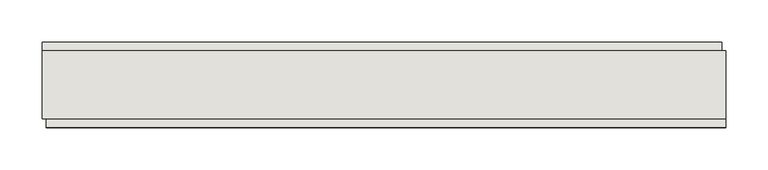
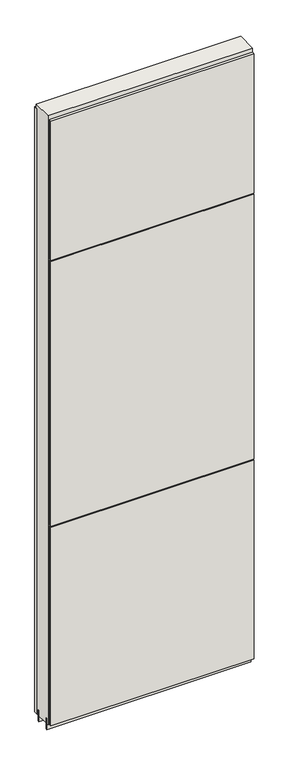
"""IFC4 building model written with IfcOpenShell, lengths in millimetres: wall geometry."""

from ifc_helpers import new_model, si_unit, frame, origin, place, context, project, spatial, polyline, outline, extrude, source, transform, mapped, element, save


def wall_445c9910(model_context):
    return source(origin(), model_context, "Body", "SweptSolid", [
        extrude(outline(polyline([(81634.3151156, -47723.144711), (81631.7751156, -47723.144711), (81631.7751156, -47720.604711), (81634.3151156, -47720.604711), (81634.3151156, -47723.144711)])), frame((0.0, 0.0, 4419.6), z_axis=(0.0, 0.0, 1.0), x_axis=(1.0, 0.0, 0.0)), (0.0, 0.0, 1.0), 2.54),
        extrude(outline(polyline([(80820.5161844, -47671.074711), (81629.8471032, -47671.074711), (81629.8471032, -47683.774711), (80820.5161844, -47683.774711), (80820.5161844, -47671.074711)])), frame((0.0, 0.0, 4445.0), z_axis=(0.0, 0.0, 1.0), x_axis=(1.0, 0.0, 0.0)), (0.0, 0.0, 1.0), 2545.0498756),
        extrude(outline(polyline([(81634.7832376, -47772.674711), (80825.4523188, -47772.674711), (80825.4523188, -47759.974711), (81634.7832376, -47759.974711), (81634.7832376, -47772.674711)])), frame((0.0, 0.0, 6402.8000722), z_axis=(0.0, 0.0, 1.0), x_axis=(1.0, 0.0, 0.0)), (0.0, 0.0, 1.0), 587.2498034),
        extrude(outline(polyline([(81634.7832376, -47772.674711), (80825.4523188, -47772.674711), (80825.4523188, -47759.974711), (81634.7832376, -47759.974711), (81634.7832376, -47772.674711)])), frame((0.0, 0.0, 5285.2000722), z_axis=(0.0, 0.0, 1.0), x_axis=(1.0, 0.0, 0.0)), (0.0, 0.0, 1.0), 1113.5999572),
        extrude(outline(polyline([(81634.7832376, -47772.674711), (80825.4523188, -47772.674711), (80825.4523188, -47759.974711), (81634.7832376, -47759.974711), (81634.7832376, -47772.674711)])), frame((0.0, 0.0, 4445.0), z_axis=(0.0, 0.0, 1.0), x_axis=(1.0, 0.0, 0.0)), (0.0, 0.0, 1.0), 836.200004),
        extrude(outline(polyline([(81634.303965, -47696.78167), (80820.9706666, -47696.78167), (80820.9706666, -47691.6998158), (81634.303965, -47691.6998158), (81634.303965, -47696.78167)])), frame((0.0, 0.0, 4418.6602), z_axis=(0.0, 0.0, 1.0), x_axis=(1.0, 0.0, 0.0)), (0.0, 0.0, 1.0), 47.625),
        extrude(outline(polyline([(81634.303965, -47696.78167), (80820.9706666, -47696.78167), (80820.9706666, -47691.6998158), (81634.303965, -47691.6998158), (81634.303965, -47696.78167)])), frame((0.0, 0.0, 4418.6602), z_axis=(0.0, 0.0, 1.0), x_axis=(1.0, 0.0, 0.0)), (0.0, 0.0, 1.0), 47.625),
        extrude(outline(polyline([(80820.9706666, -47746.9708508), (81634.303965, -47746.9708508), (81634.303965, -47752.0248158), (80820.9706666, -47752.0248158), (80820.9706666, -47746.9708508)])), frame((0.0, 0.0, 4418.6602), z_axis=(0.0, 0.0, 1.0), x_axis=(1.0, 0.0, 0.0)), (0.0, 0.0, 1.0), 47.625),
        extrude(outline(polyline([(80820.9706666, -47746.9708508), (81634.303965, -47746.9708508), (81634.303965, -47752.0248158), (80820.9706666, -47752.0248158), (80820.9706666, -47746.9708508)])), frame((0.0, 0.0, 4418.6602), z_axis=(0.0, 0.0, 1.0), x_axis=(1.0, 0.0, 0.0)), (0.0, 0.0, 1.0), 47.625),
        extrude(outline(polyline([(81634.303965, -47681.2353206), (81634.303965, -47762.514076), (80820.9706666, -47762.514076), (80820.9706666, -47681.2353206), (81634.303965, -47681.2353206)])), frame((0.0, 0.0, 4445.0), z_axis=(0.0, 0.0, 1.0), x_axis=(1.0, 0.0, 0.0)), (0.0, 0.0, 1.0), 2562.4536762),
    ])


if __name__ == "__main__":
    model = new_model("IFC4")
    model_context = context("Model", 3, world=origin())
    ifc_project = project(units=[si_unit("LENGTHUNIT", "METRE", prefix="MILLI")], contexts=[model_context])
    site = spatial("IfcSite", under=ifc_project)
    building = spatial("IfcBuilding", under=site)
    placement = place(None, origin())
    wall_shape = wall_445c9910(model_context)
    element("IfcWall", 1, at=placement, inside=building, context=model_context, shape_type="MappedRepresentation", body=[
        mapped(wall_shape, transform((0.0, 0.0, 0.0), x_axis=(1.0, 0.0, 0.0), y_axis=(0.0, 1.0, 0.0), z_axis=(0.0, 0.0, 1.0))),
    ])
    save(model, "model.ifc")
